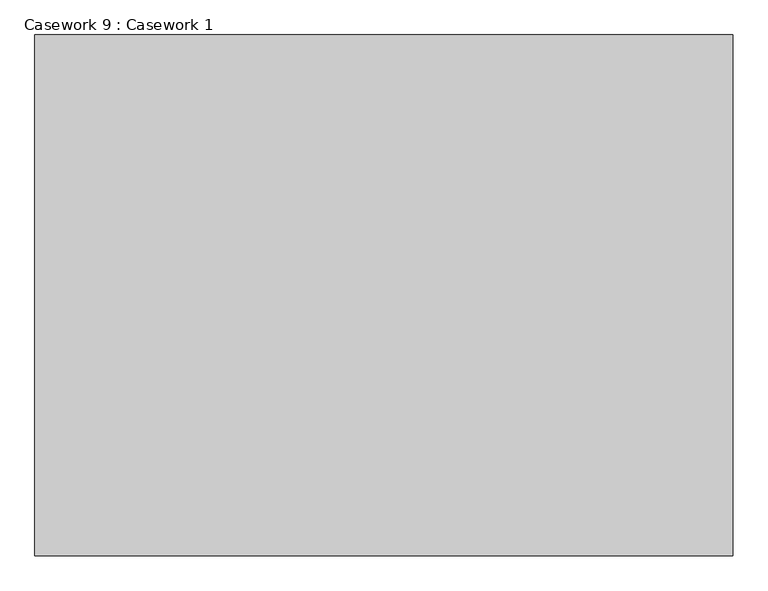
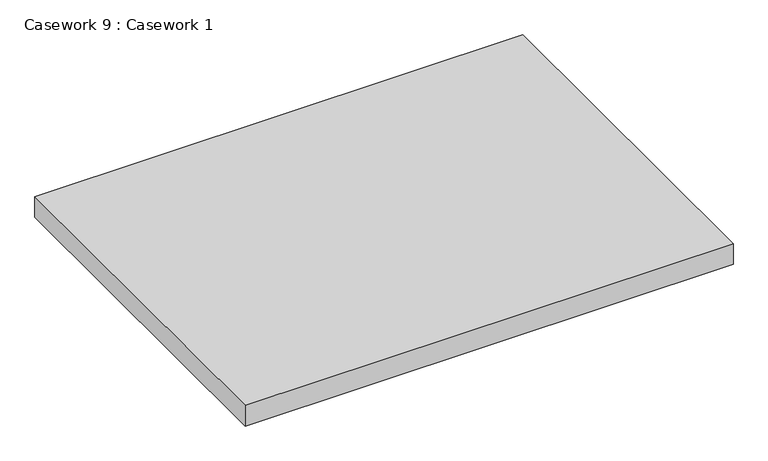
"""IFC4 building model written with IfcOpenShell, lengths in millimetres: furniture geometry, Casework 9 : Casework 1."""

from ifc_helpers import new_model, si_unit, frame, origin, place, context, project, spatial, polyline, outline, extrude, source, transform, mapped, element, save


def casework_9_casework_1_e2793fee(model_context):
    return source(origin(), model_context, "Body", "SweptSolid", [
        extrude(outline(polyline([(-146994.6819878, 62531.1361016), (-145786.2044078, 62531.1361016), (-145786.2044078, 61629.4361016), (-146994.6819878, 61629.4361016), (-146994.6819878, 62531.1361016)])), frame((0.0, 0.0, 697.520712), z_axis=(0.0, 0.0, 1.0), x_axis=(1.0, 0.0, 0.0)), (0.0, 0.0, 1.0), 54.1581791),
    ])


if __name__ == "__main__":
    model = new_model("IFC4")
    model_context = context("Model", 3, world=origin())
    ifc_project = project(units=[si_unit("LENGTHUNIT", "METRE", prefix="MILLI")], contexts=[model_context])
    site = spatial("IfcSite", under=ifc_project)
    building = spatial("IfcBuilding", under=site)
    placement = place(None, origin())
    casework_9_casework_1_shape = casework_9_casework_1_e2793fee(model_context)
    element("IfcFurniture", 1, ObjectType="Casework 9 : Casework 1", at=placement, inside=building, context=model_context, shape_type="MappedRepresentation", body=[
        mapped(casework_9_casework_1_shape, transform((0.0, 0.0, 0.0), x_axis=(1.0, 0.0, 0.0), y_axis=(0.0, 1.0, 0.0), z_axis=(0.0, 0.0, 1.0))),
    ])
    save(model, "model.ifc")
